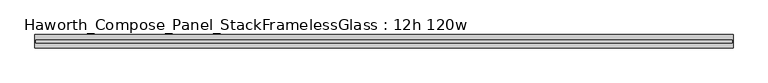
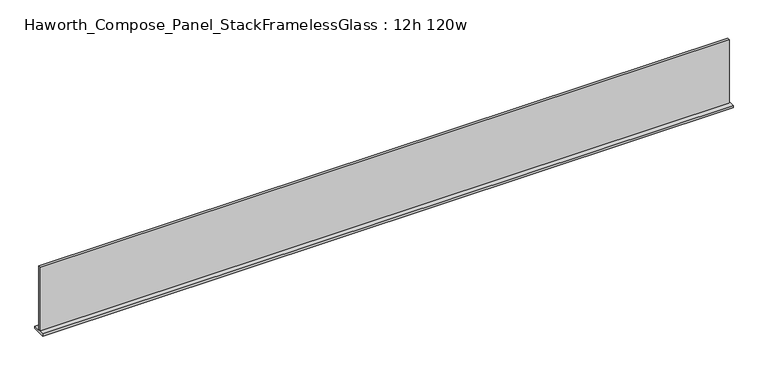
"""IFC4 building model written with IfcOpenShell, lengths in millimetres: furniture geometry, Haworth_Compose_Panel_StackFramelessGlass : 12h 120w."""

from ifc_helpers import new_model, si_unit, frame, origin, place, context, project, spatial, polyline, outline, extrude, source, transform, mapped, element, save


def haworth_compose_panel_stackframelessglass_12h_120w_eb9b3b82(model_context):
    return source(origin(), model_context, "Body", "SweptSolid", [
        extrude(outline(polyline([(1523.2652902, -27.3093594), (-1518.3847098, -27.3093594), (-1518.3847098, -14.6093594), (1523.2652902, -14.6093594), (1523.2652902, -27.3093594)])), frame((0.0, 0.0, 1279.525), z_axis=(0.0, 0.0, 1.0), x_axis=(1.0, 0.0, 0.0)), (0.0, 0.0, 1.0), 295.275),
        extrude(outline(polyline([(-1521.5597098, -50.3281094), (-1521.5597098, 8.4093906), (1526.4402902, 8.4093906), (1526.4402902, -50.3281094), (-1521.5597098, -50.3281094)])), frame((0.0, 0.0, 1270.0), z_axis=(0.0, 0.0, 1.0), x_axis=(1.0, 0.0, 0.0)), (0.0, 0.0, 1.0), 9.525),
    ])


if __name__ == "__main__":
    model = new_model("IFC4")
    model_context = context("Model", 3, world=origin())
    ifc_project = project(units=[si_unit("LENGTHUNIT", "METRE", prefix="MILLI")], contexts=[model_context])
    site = spatial("IfcSite", under=ifc_project)
    building = spatial("IfcBuilding", under=site)
    placement = place(None, origin())
    haworth_compose_panel_stackframelessglass_12h_120w_shape = haworth_compose_panel_stackframelessglass_12h_120w_eb9b3b82(model_context)
    element("IfcFurniture", 1, ObjectType="Haworth_Compose_Panel_StackFramelessGlass : 12h 120w", at=placement, inside=building, context=model_context, shape_type="MappedRepresentation", body=[
        mapped(haworth_compose_panel_stackframelessglass_12h_120w_shape, transform((0.0, 0.0, 0.0), x_axis=(1.0, 0.0, 0.0), y_axis=(0.0, 1.0, 0.0), z_axis=(0.0, 0.0, 1.0))),
    ])
    save(model, "model.ifc")
